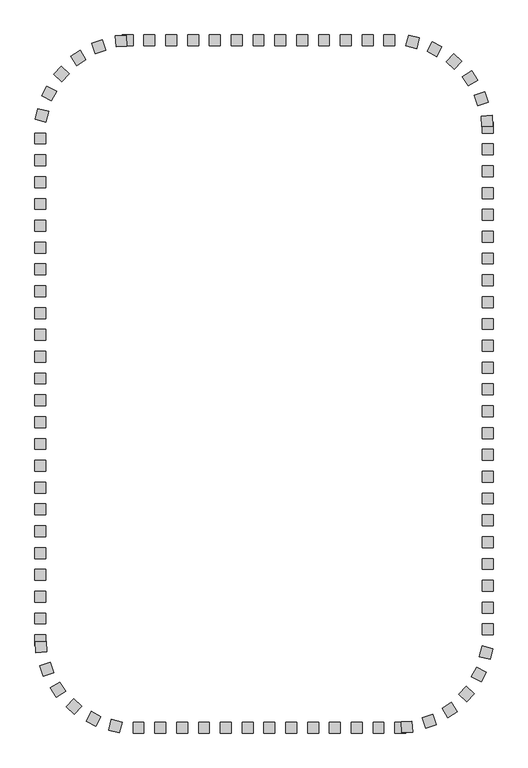
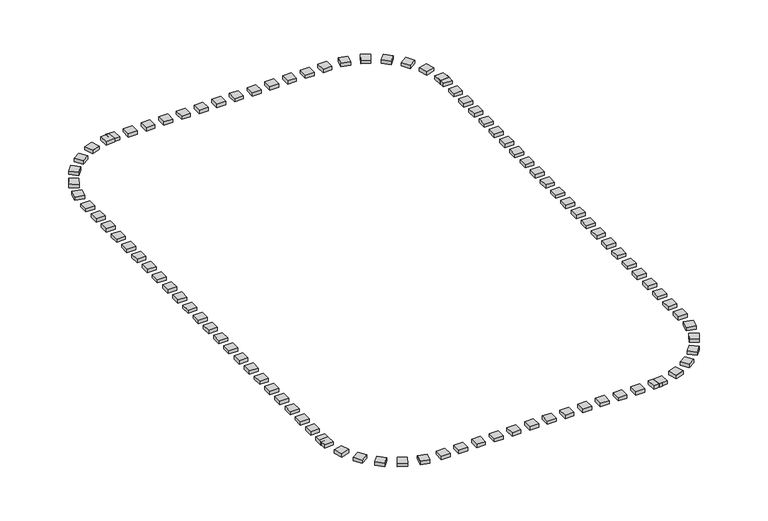
"""IFC4 building model written with IfcOpenShell, lengths in millimetres: railing geometry."""

from ifc_helpers import new_model, si_unit, origin, origin_with_axes, place, context, project, spatial, polyline, outline, extrude, source, transform, mapped, element, save


def railing_88b3b6a7(model_context):
    return source(origin(), model_context, "Body", "SweptSolid", [
        extrude(outline(polyline([(-58627.5176302, -90245.3396431), (-58627.5176302, -90745.3396431), (-59127.5176302, -90745.3396431), (-59127.5176302, -90245.3396431), (-58627.5176302, -90245.3396431)])), origin_with_axes(), (0.0, 0.0, 1.0), 200.0),
        extrude(outline(polyline([(-59627.5176302, -90245.3396431), (-59627.5176302, -90745.3396431), (-60127.5176302, -90745.3396431), (-60127.5176302, -90245.3396431), (-59627.5176302, -90245.3396431)])), origin_with_axes(), (0.0, 0.0, 1.0), 200.0),
        extrude(outline(polyline([(-60627.5176302, -90245.3396431), (-60627.5176302, -90745.3396431), (-61127.5176302, -90745.3396431), (-61127.5176302, -90245.3396431), (-60627.5176302, -90245.3396431)])), origin_with_axes(), (0.0, 0.0, 1.0), 200.0),
        extrude(outline(polyline([(-61627.5176302, -90245.3396431), (-61627.5176302, -90745.3396431), (-62127.5176302, -90745.3396431), (-62127.5176302, -90245.3396431), (-61627.5176302, -90245.3396431)])), origin_with_axes(), (0.0, 0.0, 1.0), 200.0),
        extrude(outline(polyline([(-62627.5176302, -90245.3396431), (-62627.5176302, -90745.3396431), (-63127.5176302, -90745.3396431), (-63127.5176302, -90245.3396431), (-62627.5176302, -90245.3396431)])), origin_with_axes(), (0.0, 0.0, 1.0), 200.0),
        extrude(outline(polyline([(-63627.5176302, -90245.3396431), (-63627.5176302, -90745.3396431), (-64127.5176302, -90745.3396431), (-64127.5176302, -90245.3396431), (-63627.5176302, -90245.3396431)])), origin_with_axes(), (0.0, 0.0, 1.0), 200.0),
        extrude(outline(polyline([(-64627.5176302, -90245.3396431), (-64627.5176302, -90745.3396431), (-65127.5176302, -90745.3396431), (-65127.5176302, -90245.3396431), (-64627.5176302, -90245.3396431)])), origin_with_axes(), (0.0, 0.0, 1.0), 200.0),
        extrude(outline(polyline([(-65627.5176302, -90245.3396431), (-65627.5176302, -90745.3396431), (-66127.5176302, -90745.3396431), (-66127.5176302, -90245.3396431), (-65627.5176302, -90245.3396431)])), origin_with_axes(), (0.0, 0.0, 1.0), 200.0),
        extrude(outline(polyline([(-66627.5176302, -90245.3396431), (-66627.5176302, -90745.3396431), (-67127.5176302, -90745.3396431), (-67127.5176302, -90245.3396431), (-66627.5176302, -90245.3396431)])), origin_with_axes(), (0.0, 0.0, 1.0), 200.0),
        extrude(outline(polyline([(-67627.5176302, -90245.3396431), (-67627.5176302, -90745.3396431), (-68127.5176302, -90745.3396431), (-68127.5176302, -90245.3396431), (-67627.5176302, -90245.3396431)])), origin_with_axes(), (0.0, 0.0, 1.0), 200.0),
        extrude(outline(polyline([(-68627.5176302, -90245.3396431), (-68627.5176302, -90745.3396431), (-69127.5176302, -90745.3396431), (-69127.5176302, -90245.3396431), (-68627.5176302, -90245.3396431)])), origin_with_axes(), (0.0, 0.0, 1.0), 200.0),
        extrude(outline(polyline([(-69945.8350377, -90256.6122034), (-69910.4664368, -90755.3596967), (-70409.2139301, -90790.7282975), (-70444.582531, -90291.9808042), (-69945.8350377, -90256.6122034)])), origin_with_axes(), (0.0, 0.0, 1.0), 200.0),
        extrude(outline(polyline([(-71046.4682609, -90474.908856), (-70888.8070797, -90949.4011657), (-71363.2993894, -91107.0623469), (-71520.9605706, -90632.5700372), (-71046.4682609, -90474.908856)])), origin_with_axes(), (0.0, 0.0, 1.0), 200.0),
        extrude(outline(polyline([(-72058.8780066, -90958.7202115), (-71788.7268536, -91379.4557039), (-72209.462346, -91649.6068568), (-72479.613499, -91228.8713644), (-72058.8780066, -90958.7202115)])), origin_with_axes(), (0.0, 0.0, 1.0), 200.0),
        extrude(outline(polyline([(-72920.1175401, -91677.965223), (-72554.2731056, -92018.784603), (-72895.0924857, -92384.6290375), (-73260.9369201, -92043.8096575), (-72920.1175401, -91677.965223)])), origin_with_axes(), (0.0, 0.0, 1.0), 200.0),
        extrude(outline(polyline([(-73576.6391587, -92587.9247194), (-73137.8478777, -92827.6374887), (-73377.560647, -93266.4287697), (-73816.351928, -93026.7160004), (-73576.6391587, -92587.9247194)])), origin_with_axes(), (0.0, 0.0, 1.0), 200.0),
        extrude(outline(polyline([(-73987.6235278, -93632.0218265), (-73503.167317, -93755.7238061), (-73626.8692966, -94240.180017), (-74111.3255075, -94116.4780373), (-73987.6235278, -93632.0218265)])), origin_with_axes(), (0.0, 0.0, 1.0), 200.0),
        extrude(outline(polyline([(-74127.5176302, -95745.3396431), (-73627.5176302, -95745.3396431), (-73627.5176302, -96245.3396431), (-74127.5176302, -96245.3396431), (-74127.5176302, -95745.3396431)])), origin_with_axes(), (0.0, 0.0, 1.0), 200.0),
        extrude(outline(polyline([(-74127.5176302, -96745.3396431), (-73627.5176302, -96745.3396431), (-73627.5176302, -97245.3396431), (-74127.5176302, -97245.3396431), (-74127.5176302, -96745.3396431)])), origin_with_axes(), (0.0, 0.0, 1.0), 200.0),
        extrude(outline(polyline([(-74127.5176302, -97745.3396431), (-73627.5176302, -97745.3396431), (-73627.5176302, -98245.3396431), (-74127.5176302, -98245.3396431), (-74127.5176302, -97745.3396431)])), origin_with_axes(), (0.0, 0.0, 1.0), 200.0),
        extrude(outline(polyline([(-74127.5176302, -98745.3396431), (-73627.5176302, -98745.3396431), (-73627.5176302, -99245.3396431), (-74127.5176302, -99245.3396431), (-74127.5176302, -98745.3396431)])), origin_with_axes(), (0.0, 0.0, 1.0), 200.0),
        extrude(outline(polyline([(-74127.5176302, -99745.3396431), (-73627.5176302, -99745.3396431), (-73627.5176302, -100245.3396431), (-74127.5176302, -100245.3396431), (-74127.5176302, -99745.3396431)])), origin_with_axes(), (0.0, 0.0, 1.0), 200.0),
        extrude(outline(polyline([(-74127.5176302, -100745.3396431), (-73627.5176302, -100745.3396431), (-73627.5176302, -101245.3396431), (-74127.5176302, -101245.3396431), (-74127.5176302, -100745.3396431)])), origin_with_axes(), (0.0, 0.0, 1.0), 200.0),
        extrude(outline(polyline([(-74127.5176302, -101745.3396431), (-73627.5176302, -101745.3396431), (-73627.5176302, -102245.3396431), (-74127.5176302, -102245.3396431), (-74127.5176302, -101745.3396431)])), origin_with_axes(), (0.0, 0.0, 1.0), 200.0),
        extrude(outline(polyline([(-74127.5176302, -102745.3396431), (-73627.5176302, -102745.3396431), (-73627.5176302, -103245.3396431), (-74127.5176302, -103245.3396431), (-74127.5176302, -102745.3396431)])), origin_with_axes(), (0.0, 0.0, 1.0), 200.0),
        extrude(outline(polyline([(-74127.5176302, -103745.3396431), (-73627.5176302, -103745.3396431), (-73627.5176302, -104245.3396431), (-74127.5176302, -104245.3396431), (-74127.5176302, -103745.3396431)])), origin_with_axes(), (0.0, 0.0, 1.0), 200.0),
        extrude(outline(polyline([(-74127.5176302, -104745.3396431), (-73627.5176302, -104745.3396431), (-73627.5176302, -105245.3396431), (-74127.5176302, -105245.3396431), (-74127.5176302, -104745.3396431)])), origin_with_axes(), (0.0, 0.0, 1.0), 200.0),
        extrude(outline(polyline([(-74127.5176302, -105745.3396431), (-73627.5176302, -105745.3396431), (-73627.5176302, -106245.3396431), (-74127.5176302, -106245.3396431), (-74127.5176302, -105745.3396431)])), origin_with_axes(), (0.0, 0.0, 1.0), 200.0),
        extrude(outline(polyline([(-74127.5176302, -106745.3396431), (-73627.5176302, -106745.3396431), (-73627.5176302, -107245.3396431), (-74127.5176302, -107245.3396431), (-74127.5176302, -106745.3396431)])), origin_with_axes(), (0.0, 0.0, 1.0), 200.0),
        extrude(outline(polyline([(-74127.5176302, -107745.3396431), (-73627.5176302, -107745.3396431), (-73627.5176302, -108245.3396431), (-74127.5176302, -108245.3396431), (-74127.5176302, -107745.3396431)])), origin_with_axes(), (0.0, 0.0, 1.0), 200.0),
        extrude(outline(polyline([(-74127.5176302, -108745.3396431), (-73627.5176302, -108745.3396431), (-73627.5176302, -109245.3396431), (-74127.5176302, -109245.3396431), (-74127.5176302, -108745.3396431)])), origin_with_axes(), (0.0, 0.0, 1.0), 200.0),
        extrude(outline(polyline([(-74127.5176302, -109745.3396431), (-73627.5176302, -109745.3396431), (-73627.5176302, -110245.3396431), (-74127.5176302, -110245.3396431), (-74127.5176302, -109745.3396431)])), origin_with_axes(), (0.0, 0.0, 1.0), 200.0),
        extrude(outline(polyline([(-74127.5176302, -110745.3396431), (-73627.5176302, -110745.3396431), (-73627.5176302, -111245.3396431), (-74127.5176302, -111245.3396431), (-74127.5176302, -110745.3396431)])), origin_with_axes(), (0.0, 0.0, 1.0), 200.0),
        extrude(outline(polyline([(-74127.5176302, -111745.3396431), (-73627.5176302, -111745.3396431), (-73627.5176302, -112245.3396431), (-74127.5176302, -112245.3396431), (-74127.5176302, -111745.3396431)])), origin_with_axes(), (0.0, 0.0, 1.0), 200.0),
        extrude(outline(polyline([(-74127.5176302, -112745.3396431), (-73627.5176302, -112745.3396431), (-73627.5176302, -113245.3396431), (-74127.5176302, -113245.3396431), (-74127.5176302, -112745.3396431)])), origin_with_axes(), (0.0, 0.0, 1.0), 200.0),
        extrude(outline(polyline([(-74127.5176302, -113745.3396431), (-73627.5176302, -113745.3396431), (-73627.5176302, -114245.3396431), (-74127.5176302, -114245.3396431), (-74127.5176302, -113745.3396431)])), origin_with_axes(), (0.0, 0.0, 1.0), 200.0),
        extrude(outline(polyline([(-74127.5176302, -114745.3396431), (-73627.5176302, -114745.3396431), (-73627.5176302, -115245.3396431), (-74127.5176302, -115245.3396431), (-74127.5176302, -114745.3396431)])), origin_with_axes(), (0.0, 0.0, 1.0), 200.0),
        extrude(outline(polyline([(-74127.5176302, -115745.3396431), (-73627.5176302, -115745.3396431), (-73627.5176302, -116245.3396431), (-74127.5176302, -116245.3396431), (-74127.5176302, -115745.3396431)])), origin_with_axes(), (0.0, 0.0, 1.0), 200.0),
        extrude(outline(polyline([(-74127.5176302, -116745.3396431), (-73627.5176302, -116745.3396431), (-73627.5176302, -117245.3396431), (-74127.5176302, -117245.3396431), (-74127.5176302, -116745.3396431)])), origin_with_axes(), (0.0, 0.0, 1.0), 200.0),
        extrude(outline(polyline([(-74116.2450699, -118063.6570506), (-73617.4975766, -118028.2884498), (-73582.1289757, -118527.0359431), (-74080.876469, -118562.4045439), (-74116.2450699, -118063.6570506)])), origin_with_axes(), (0.0, 0.0, 1.0), 200.0),
        extrude(outline(polyline([(-73897.9484173, -119164.2902739), (-73423.4561076, -119006.6290927), (-73265.7949264, -119481.1214024), (-73740.2872361, -119638.7825836), (-73897.9484173, -119164.2902739)])), origin_with_axes(), (0.0, 0.0, 1.0), 200.0),
        extrude(outline(polyline([(-73414.1370618, -120176.7000195), (-72993.4015694, -119906.5488666), (-72723.2504164, -120327.284359), (-73143.9859089, -120597.4355119), (-73414.1370618, -120176.7000195)])), origin_with_axes(), (0.0, 0.0, 1.0), 200.0),
        extrude(outline(polyline([(-72694.8920503, -121037.9395531), (-72354.0726702, -120672.0951186), (-71988.2282358, -121012.9144986), (-72329.0476158, -121378.7589331), (-72694.8920503, -121037.9395531)])), origin_with_axes(), (0.0, 0.0, 1.0), 200.0),
        extrude(outline(polyline([(-71784.9325539, -121694.4611716), (-71545.2197846, -121255.6698907), (-71106.4285036, -121495.38266), (-71346.1412729, -121934.1739409), (-71784.9325539, -121694.4611716)])), origin_with_axes(), (0.0, 0.0, 1.0), 200.0),
        extrude(outline(polyline([(-70740.8354468, -122105.4455408), (-70617.1334672, -121620.98933), (-70132.6772563, -121744.6913096), (-70256.3792359, -122229.1475205), (-70740.8354468, -122105.4455408)])), origin_with_axes(), (0.0, 0.0, 1.0), 200.0),
        extrude(outline(polyline([(-68627.5176302, -122245.3396431), (-68627.5176302, -121745.3396431), (-68127.5176302, -121745.3396431), (-68127.5176302, -122245.3396431), (-68627.5176302, -122245.3396431)])), origin_with_axes(), (0.0, 0.0, 1.0), 200.0),
        extrude(outline(polyline([(-67627.5176302, -122245.3396431), (-67627.5176302, -121745.3396431), (-67127.5176302, -121745.3396431), (-67127.5176302, -122245.3396431), (-67627.5176302, -122245.3396431)])), origin_with_axes(), (0.0, 0.0, 1.0), 200.0),
        extrude(outline(polyline([(-66627.5176302, -122245.3396431), (-66627.5176302, -121745.3396431), (-66127.5176302, -121745.3396431), (-66127.5176302, -122245.3396431), (-66627.5176302, -122245.3396431)])), origin_with_axes(), (0.0, 0.0, 1.0), 200.0),
        extrude(outline(polyline([(-65627.5176302, -122245.3396431), (-65627.5176302, -121745.3396431), (-65127.5176302, -121745.3396431), (-65127.5176302, -122245.3396431), (-65627.5176302, -122245.3396431)])), origin_with_axes(), (0.0, 0.0, 1.0), 200.0),
        extrude(outline(polyline([(-64627.5176302, -122245.3396431), (-64627.5176302, -121745.3396431), (-64127.5176302, -121745.3396431), (-64127.5176302, -122245.3396431), (-64627.5176302, -122245.3396431)])), origin_with_axes(), (0.0, 0.0, 1.0), 200.0),
        extrude(outline(polyline([(-63627.5176302, -122245.3396431), (-63627.5176302, -121745.3396431), (-63127.5176302, -121745.3396431), (-63127.5176302, -122245.3396431), (-63627.5176302, -122245.3396431)])), origin_with_axes(), (0.0, 0.0, 1.0), 200.0),
        extrude(outline(polyline([(-62627.5176302, -122245.3396431), (-62627.5176302, -121745.3396431), (-62127.5176302, -121745.3396431), (-62127.5176302, -122245.3396431), (-62627.5176302, -122245.3396431)])), origin_with_axes(), (0.0, 0.0, 1.0), 200.0),
        extrude(outline(polyline([(-61627.5176302, -122245.3396431), (-61627.5176302, -121745.3396431), (-61127.5176302, -121745.3396431), (-61127.5176302, -122245.3396431), (-61627.5176302, -122245.3396431)])), origin_with_axes(), (0.0, 0.0, 1.0), 200.0),
        extrude(outline(polyline([(-60627.5176302, -122245.3396431), (-60627.5176302, -121745.3396431), (-60127.5176302, -121745.3396431), (-60127.5176302, -122245.3396431), (-60627.5176302, -122245.3396431)])), origin_with_axes(), (0.0, 0.0, 1.0), 200.0),
        extrude(outline(polyline([(-59627.5176302, -122245.3396431), (-59627.5176302, -121745.3396431), (-59127.5176302, -121745.3396431), (-59127.5176302, -122245.3396431), (-59627.5176302, -122245.3396431)])), origin_with_axes(), (0.0, 0.0, 1.0), 200.0),
        extrude(outline(polyline([(-58627.5176302, -122245.3396431), (-58627.5176302, -121745.3396431), (-58127.5176302, -121745.3396431), (-58127.5176302, -122245.3396431), (-58627.5176302, -122245.3396431)])), origin_with_axes(), (0.0, 0.0, 1.0), 200.0),
        extrude(outline(polyline([(-57309.2002226, -122234.0670828), (-57344.5688235, -121735.3195895), (-56845.8213302, -121699.9509887), (-56810.4527293, -122198.698482), (-57309.2002226, -122234.0670828)])), origin_with_axes(), (0.0, 0.0, 1.0), 200.0),
        extrude(outline(polyline([(-56208.5669994, -122015.7704302), (-56366.2281806, -121541.2781206), (-55891.7358709, -121383.6169394), (-55734.0746897, -121858.109249), (-56208.5669994, -122015.7704302)])), origin_with_axes(), (0.0, 0.0, 1.0), 200.0),
        extrude(outline(polyline([(-55196.1572537, -121531.9590748), (-55466.3084067, -121111.2235824), (-55045.5729143, -120841.0724294), (-54775.4217613, -121261.8079218), (-55196.1572537, -121531.9590748)])), origin_with_axes(), (0.0, 0.0, 1.0), 200.0),
        extrude(outline(polyline([(-54334.9177202, -120812.7140632), (-54700.7621547, -120471.8946832), (-54359.9427746, -120106.0502488), (-53994.0983402, -120446.8696288), (-54334.9177202, -120812.7140632)])), origin_with_axes(), (0.0, 0.0, 1.0), 200.0),
        extrude(outline(polyline([(-53678.3961016, -119902.7545668), (-54117.1873826, -119663.0417975), (-53877.4746133, -119224.2505166), (-53438.6833323, -119463.9632859), (-53678.3961016, -119902.7545668)])), origin_with_axes(), (0.0, 0.0, 1.0), 200.0),
        extrude(outline(polyline([(-53267.4117325, -118858.6574598), (-53751.8679433, -118734.9554801), (-53628.1659637, -118250.4992693), (-53143.7097528, -118374.2012489), (-53267.4117325, -118858.6574598)])), origin_with_axes(), (0.0, 0.0, 1.0), 200.0),
        extrude(outline(polyline([(-53127.5176302, -116745.3396431), (-53627.5176302, -116745.3396431), (-53627.5176302, -116245.3396431), (-53127.5176302, -116245.3396431), (-53127.5176302, -116745.3396431)])), origin_with_axes(), (0.0, 0.0, 1.0), 200.0),
        extrude(outline(polyline([(-53127.5176302, -115745.3396431), (-53627.5176302, -115745.3396431), (-53627.5176302, -115245.3396431), (-53127.5176302, -115245.3396431), (-53127.5176302, -115745.3396431)])), origin_with_axes(), (0.0, 0.0, 1.0), 200.0),
        extrude(outline(polyline([(-53127.5176302, -114745.3396431), (-53627.5176302, -114745.3396431), (-53627.5176302, -114245.3396431), (-53127.5176302, -114245.3396431), (-53127.5176302, -114745.3396431)])), origin_with_axes(), (0.0, 0.0, 1.0), 200.0),
        extrude(outline(polyline([(-53127.5176302, -113745.3396431), (-53627.5176302, -113745.3396431), (-53627.5176302, -113245.3396431), (-53127.5176302, -113245.3396431), (-53127.5176302, -113745.3396431)])), origin_with_axes(), (0.0, 0.0, 1.0), 200.0),
        extrude(outline(polyline([(-53127.5176302, -112745.3396431), (-53627.5176302, -112745.3396431), (-53627.5176302, -112245.3396431), (-53127.5176302, -112245.3396431), (-53127.5176302, -112745.3396431)])), origin_with_axes(), (0.0, 0.0, 1.0), 200.0),
        extrude(outline(polyline([(-53127.5176302, -111745.3396431), (-53627.5176302, -111745.3396431), (-53627.5176302, -111245.3396431), (-53127.5176302, -111245.3396431), (-53127.5176302, -111745.3396431)])), origin_with_axes(), (0.0, 0.0, 1.0), 200.0),
        extrude(outline(polyline([(-53127.5176302, -110745.3396431), (-53627.5176302, -110745.3396431), (-53627.5176302, -110245.3396431), (-53127.5176302, -110245.3396431), (-53127.5176302, -110745.3396431)])), origin_with_axes(), (0.0, 0.0, 1.0), 200.0),
        extrude(outline(polyline([(-53127.5176302, -109745.3396431), (-53627.5176302, -109745.3396431), (-53627.5176302, -109245.3396431), (-53127.5176302, -109245.3396431), (-53127.5176302, -109745.3396431)])), origin_with_axes(), (0.0, 0.0, 1.0), 200.0),
        extrude(outline(polyline([(-53127.5176302, -108745.3396431), (-53627.5176302, -108745.3396431), (-53627.5176302, -108245.3396431), (-53127.5176302, -108245.3396431), (-53127.5176302, -108745.3396431)])), origin_with_axes(), (0.0, 0.0, 1.0), 200.0),
        extrude(outline(polyline([(-53127.5176302, -107745.3396431), (-53627.5176302, -107745.3396431), (-53627.5176302, -107245.3396431), (-53127.5176302, -107245.3396431), (-53127.5176302, -107745.3396431)])), origin_with_axes(), (0.0, 0.0, 1.0), 200.0),
        extrude(outline(polyline([(-53127.5176302, -106745.3396431), (-53627.5176302, -106745.3396431), (-53627.5176302, -106245.3396431), (-53127.5176302, -106245.3396431), (-53127.5176302, -106745.3396431)])), origin_with_axes(), (0.0, 0.0, 1.0), 200.0),
        extrude(outline(polyline([(-53127.5176302, -105745.3396431), (-53627.5176302, -105745.3396431), (-53627.5176302, -105245.3396431), (-53127.5176302, -105245.3396431), (-53127.5176302, -105745.3396431)])), origin_with_axes(), (0.0, 0.0, 1.0), 200.0),
        extrude(outline(polyline([(-53127.5176302, -104745.3396431), (-53627.5176302, -104745.3396431), (-53627.5176302, -104245.3396431), (-53127.5176302, -104245.3396431), (-53127.5176302, -104745.3396431)])), origin_with_axes(), (0.0, 0.0, 1.0), 200.0),
        extrude(outline(polyline([(-53127.5176302, -103745.3396431), (-53627.5176302, -103745.3396431), (-53627.5176302, -103245.3396431), (-53127.5176302, -103245.3396431), (-53127.5176302, -103745.3396431)])), origin_with_axes(), (0.0, 0.0, 1.0), 200.0),
        extrude(outline(polyline([(-53127.5176302, -102745.3396431), (-53627.5176302, -102745.3396431), (-53627.5176302, -102245.3396431), (-53127.5176302, -102245.3396431), (-53127.5176302, -102745.3396431)])), origin_with_axes(), (0.0, 0.0, 1.0), 200.0),
        extrude(outline(polyline([(-53127.5176302, -101745.3396431), (-53627.5176302, -101745.3396431), (-53627.5176302, -101245.3396431), (-53127.5176302, -101245.3396431), (-53127.5176302, -101745.3396431)])), origin_with_axes(), (0.0, 0.0, 1.0), 200.0),
        extrude(outline(polyline([(-53127.5176302, -100745.3396431), (-53627.5176302, -100745.3396431), (-53627.5176302, -100245.3396431), (-53127.5176302, -100245.3396431), (-53127.5176302, -100745.3396431)])), origin_with_axes(), (0.0, 0.0, 1.0), 200.0),
        extrude(outline(polyline([(-53127.5176302, -99745.3396431), (-53627.5176302, -99745.3396431), (-53627.5176302, -99245.3396431), (-53127.5176302, -99245.3396431), (-53127.5176302, -99745.3396431)])), origin_with_axes(), (0.0, 0.0, 1.0), 200.0),
        extrude(outline(polyline([(-53127.5176302, -98745.3396431), (-53627.5176302, -98745.3396431), (-53627.5176302, -98245.3396431), (-53127.5176302, -98245.3396431), (-53127.5176302, -98745.3396431)])), origin_with_axes(), (0.0, 0.0, 1.0), 200.0),
        extrude(outline(polyline([(-53127.5176302, -97745.3396431), (-53627.5176302, -97745.3396431), (-53627.5176302, -97245.3396431), (-53127.5176302, -97245.3396431), (-53127.5176302, -97745.3396431)])), origin_with_axes(), (0.0, 0.0, 1.0), 200.0),
        extrude(outline(polyline([(-53127.5176302, -96745.3396431), (-53627.5176302, -96745.3396431), (-53627.5176302, -96245.3396431), (-53127.5176302, -96245.3396431), (-53127.5176302, -96745.3396431)])), origin_with_axes(), (0.0, 0.0, 1.0), 200.0),
        extrude(outline(polyline([(-53127.5176302, -95745.3396431), (-53627.5176302, -95745.3396431), (-53627.5176302, -95245.3396431), (-53127.5176302, -95245.3396431), (-53127.5176302, -95745.3396431)])), origin_with_axes(), (0.0, 0.0, 1.0), 200.0),
        extrude(outline(polyline([(-53138.7901904, -94427.0222356), (-53637.5376837, -94462.3908365), (-53672.9062846, -93963.6433432), (-53174.1587913, -93928.2747423), (-53138.7901904, -94427.0222356)])), origin_with_axes(), (0.0, 0.0, 1.0), 200.0),
        extrude(outline(polyline([(-53357.0868431, -93326.3890124), (-53831.5791527, -93484.0501935), (-53989.2403339, -93009.5578839), (-53514.7480242, -92851.8967027), (-53357.0868431, -93326.3890124)])), origin_with_axes(), (0.0, 0.0, 1.0), 200.0),
        extrude(outline(polyline([(-53840.8981985, -92313.9792667), (-54261.6336909, -92584.1304197), (-54531.7848439, -92163.3949273), (-54111.0493514, -91893.2437743), (-53840.8981985, -92313.9792667)])), origin_with_axes(), (0.0, 0.0, 1.0), 200.0),
        extrude(outline(polyline([(-54560.14321, -91452.7397332), (-54900.9625901, -91818.5841676), (-55266.8070245, -91477.7647876), (-54925.9876445, -91111.9203532), (-54560.14321, -91452.7397332)])), origin_with_axes(), (0.0, 0.0, 1.0), 200.0),
        extrude(outline(polyline([(-55470.1027064, -90796.2181146), (-55709.8154757, -91235.0093956), (-56148.6067567, -90995.2966263), (-55908.8939874, -90556.5053453), (-55470.1027064, -90796.2181146)])), origin_with_axes(), (0.0, 0.0, 1.0), 200.0),
        extrude(outline(polyline([(-56514.1998135, -90385.2337454), (-56637.9017931, -90869.6899563), (-57122.358004, -90745.9879767), (-56998.6560244, -90261.5317658), (-56514.1998135, -90385.2337454)])), origin_with_axes(), (0.0, 0.0, 1.0), 200.0),
        extrude(outline(polyline([(-57627.5176302, -90245.3396431), (-57627.5176302, -90745.3396431), (-58127.5176302, -90745.3396431), (-58127.5176302, -90245.3396431), (-57627.5176302, -90245.3396431)])), origin_with_axes(), (0.0, 0.0, 1.0), 200.0),
        extrude(outline(polyline([(-69627.5176302, -90245.3396431), (-69627.5176302, -90745.3396431), (-70127.5176302, -90745.3396431), (-70127.5176302, -90245.3396431), (-69627.5176302, -90245.3396431)])), origin_with_axes(), (0.0, 0.0, 1.0), 200.0),
        extrude(outline(polyline([(-74127.5176302, -94745.3396431), (-73627.5176302, -94745.3396431), (-73627.5176302, -95245.3396431), (-74127.5176302, -95245.3396431), (-74127.5176302, -94745.3396431)])), origin_with_axes(), (0.0, 0.0, 1.0), 200.0),
        extrude(outline(polyline([(-74127.5176302, -117745.3396431), (-73627.5176302, -117745.3396431), (-73627.5176302, -118245.3396431), (-74127.5176302, -118245.3396431), (-74127.5176302, -117745.3396431)])), origin_with_axes(), (0.0, 0.0, 1.0), 200.0),
        extrude(outline(polyline([(-69627.5176302, -122245.3396431), (-69627.5176302, -121745.3396431), (-69127.5176302, -121745.3396431), (-69127.5176302, -122245.3396431), (-69627.5176302, -122245.3396431)])), origin_with_axes(), (0.0, 0.0, 1.0), 200.0),
        extrude(outline(polyline([(-57627.5176302, -122245.3396431), (-57627.5176302, -121745.3396431), (-57127.5176302, -121745.3396431), (-57127.5176302, -122245.3396431), (-57627.5176302, -122245.3396431)])), origin_with_axes(), (0.0, 0.0, 1.0), 200.0),
        extrude(outline(polyline([(-53127.5176302, -117745.3396431), (-53627.5176302, -117745.3396431), (-53627.5176302, -117245.3396431), (-53127.5176302, -117245.3396431), (-53127.5176302, -117745.3396431)])), origin_with_axes(), (0.0, 0.0, 1.0), 200.0),
        extrude(outline(polyline([(-53127.5176302, -94745.3396431), (-53627.5176302, -94745.3396431), (-53627.5176302, -94245.3396431), (-53127.5176302, -94245.3396431), (-53127.5176302, -94745.3396431)])), origin_with_axes(), (0.0, 0.0, 1.0), 200.0),
    ])


if __name__ == "__main__":
    model = new_model("IFC4")
    model_context = context("Model", 3, world=origin())
    ifc_project = project(units=[si_unit("LENGTHUNIT", "METRE", prefix="MILLI")], contexts=[model_context])
    site = spatial("IfcSite", under=ifc_project)
    building = spatial("IfcBuilding", under=site)
    placement = place(None, origin())
    railing_shape = railing_88b3b6a7(model_context)
    element("IfcRailing", 1, at=placement, inside=building, context=model_context, shape_type="MappedRepresentation", body=[
        mapped(railing_shape, transform((0.0, 0.0, 0.0), x_axis=(1.0, 0.0, 0.0), y_axis=(0.0, 1.0, 0.0), z_axis=(0.0, 0.0, 1.0))),
    ])
    save(model, "model.ifc")
